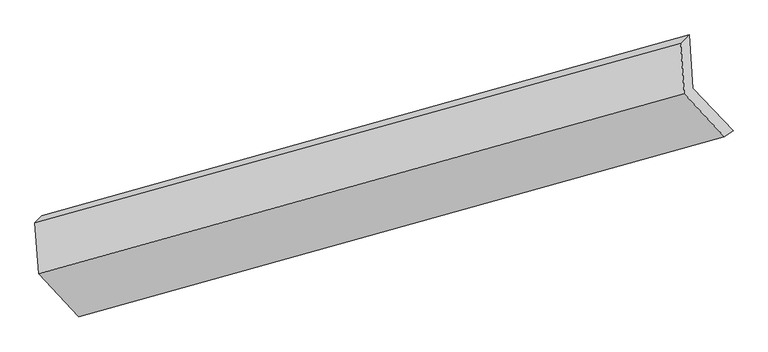
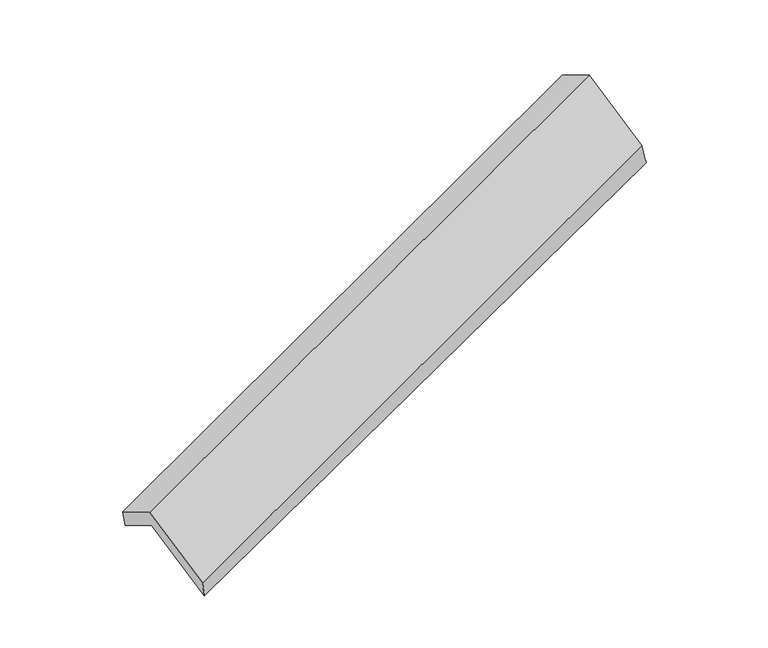
"""IFC4 building model written with IfcOpenShell, lengths in millimetres: proxy geometry."""

from ifc_helpers import new_model, si_unit, frame, origin, place, context, project, spatial, source, transform, mapped, element, save
from ifc_brep_helpers import plane_surface, spline_surface, advanced_brep


def generic_models_24153f52(model_context):
    return source(origin(), model_context, "Body", "AdvancedBrep", [
        advanced_brep(
        [(-5098.0592366, -2104.368179, 1307.5419997), (-5122.6152573, -1762.8851397, 1111.940004), (-761.5722665, -543.8231538, 2652.3797928), (-735.770701, -902.6270957, 2857.9032274), (-5168.0888525, -1807.5921769, 1274.5441907), (-819.0388638, -599.2726574, 2857.0558512), (-5143.2676392, -2152.7630609, 1472.2585893), (-794.4828431, -940.7556967, 3052.6578469), (-4871.4065991, -2442.6596066, 932.0259682), (-524.3548839, -1228.8041874, 2515.8691427), (-4827.9312774, -2392.4166696, 770.7532956), (-465.6427418, -1190.6755864, 2321.1145233)],
        [
            (0, 1),
            (1, 2),
            (2, 3),
            (3, 0),
            (1, 4),
            (4, 5),
            (5, 2),
            (4, 6),
            (6, 7),
            (7, 5),
            (6, 8),
            (8, 9),
            (9, 7),
            (8, 10),
            (10, 11),
            (11, 9),
            (10, 0),
            (3, 11),
        ],
        [
            plane_surface(frame((-5110.337247, -1933.6266593, 1209.7410019), z_axis=(0.40535672740855133, -0.4322484568165352, -0.8055105183201231), x_axis=(-0.062277242718865915, 0.8660451310247882, -0.4960719464630034))),
            spline_surface(1, 1, [[(-5122.6152573, -1762.8851397, 1111.940004), (-761.5722665, -543.8231538, 2652.3797928)], [(-5168.0888525, -1807.5921769, 1274.5441907), (-819.0388638, -599.2726574, 2857.0558512)]], [2, 2], [2, 2], [0.0, 1.0], [0.0, 1.0]),
            plane_surface(frame((-5155.6782458, -1980.1776189, 1373.40139), z_axis=(-0.4118498977803261, 0.4304458631281854, 0.8031786978090035), x_axis=(0.062277242718865915, -0.8660451310247882, 0.4960719464630035))),
            plane_surface(frame((-5007.3371191, -2297.7113338, 1202.1422787), z_axis=(0.06129157728432311, -0.8663161504251513, 0.49572136333483424), x_axis=(0.4053567274085547, -0.43224845681653945, -0.8055105183201192))),
            spline_surface(1, 1, [[(-4871.4065991, -2442.6596066, 932.0259682), (-524.3548839, -1228.8041874, 2515.8691427)], [(-4827.9312774, -2392.4166696, 770.7532956), (-465.6427418, -1190.6755864, 2321.1145233)]], [2, 2], [2, 2], [0.0, 1.0], [0.0, 1.0]),
            plane_surface(frame((-4962.995257, -2248.3924243, 1039.1476476), z_axis=(-0.06227724271886448, 0.8660451310247854, -0.4960719464630087), x_axis=(-0.40535672740855483, 0.4322484568165395, 0.805510518320119))),
            plane_surface(frame((-683.47705, -900.9930629, 2709.4967307), z_axis=(0.9120347957090035, 0.25125107483944664, 0.32413797804030803), x_axis=(0.2836955555757311, 0.1842364158502051, -0.941049294575607))),
            plane_surface(frame((-5038.561477, -2110.4474721, 1144.8440079), z_axis=(-0.9120347957090045, -0.25125107483943754, -0.3241379780403122), x_axis=(0.40535672740855394, -0.43224845681653956, -0.8055105183201194))),
        ],
        [
            (0, [[1, 2, 3, 4]]),
            (1, [[5, 6, 7, -2]]),
            (2, [[8, 9, 10, -6]]),
            (3, [[11, 12, 13, -9]]),
            (4, [[14, 15, 16, -12]]),
            (5, [[17, -4, 18, -15]]),
            (6, [[-16, -18, -3, -7, -10, -13]]),
            (7, [[-17, -14, -11, -8, -5, -1]]),
        ],
    ),
    ])


if __name__ == "__main__":
    model = new_model("IFC4")
    model_context = context("Model", 3, world=origin())
    ifc_project = project(units=[si_unit("LENGTHUNIT", "METRE", prefix="MILLI")], contexts=[model_context])
    site = spatial("IfcSite", under=ifc_project)
    building = spatial("IfcBuilding", under=site)
    placement = place(None, origin())
    generic_models_shape = generic_models_24153f52(model_context)
    element("IfcBuildingElementProxy", 1, Name="Generic Models", at=placement, inside=building, context=model_context, shape_type="MappedRepresentation", body=[
        mapped(generic_models_shape, transform((0.0, 0.0, 0.0), x_axis=(1.0, 0.0, 0.0), y_axis=(0.0, 1.0, 0.0), z_axis=(0.0, 0.0, 1.0))),
    ])
    save(model, "model.ifc")
